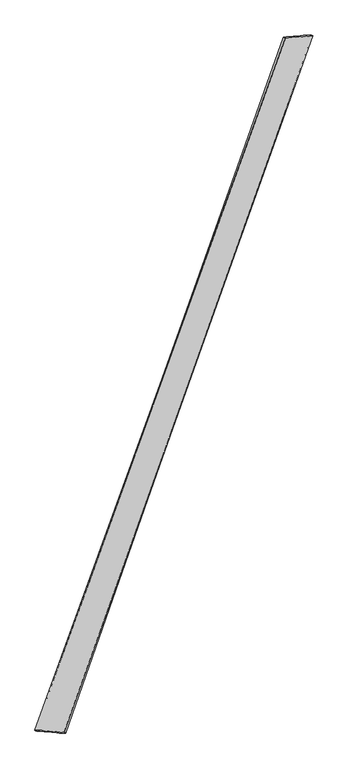
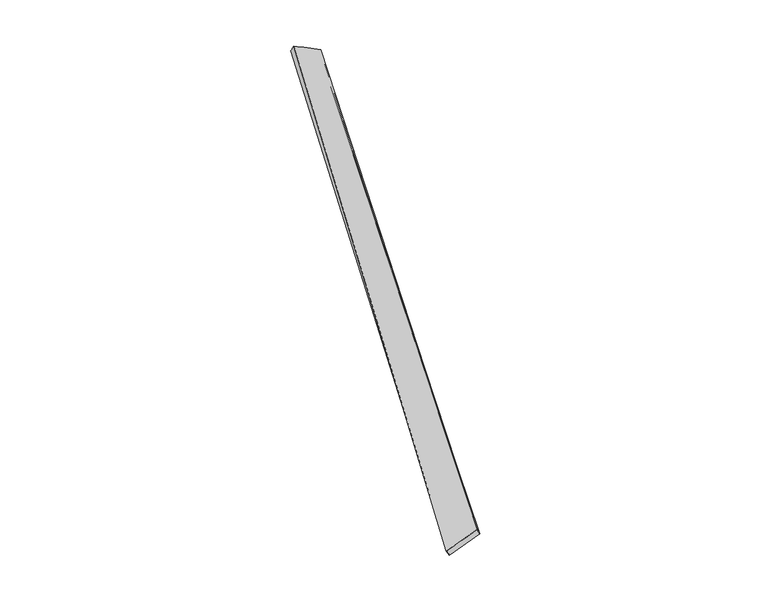
"""IFC4 building model written with IfcOpenShell, lengths in millimetres: proxy geometry."""

from ifc_helpers import new_model, si_unit, origin, place, context, project, spatial, source, transform, mapped, element, save
from ifc_brep_helpers import spline_surface, advanced_brep


def generic_models_ffe0ed36(model_context):
    return source(origin(), model_context, "Body", "AdvancedBrep", [
        advanced_brep(
        [(-721.9290822, -1828.8870083, -38.6513005), (-736.0256487, -1824.4130813, -12.550136), (723.310781, 2202.4468529, 69.2082621), (710.0382118, 2207.687881, 42.8194286), (-566.3888648, -1835.4707625, 66.2302517), (883.2451565, 2215.9881026, -17.2838951), (-555.9806754, -1839.6753274, 38.4095539), (867.8715458, 2220.8744547, -42.577682)],
        [
            (0, 1),
            (1, 2),
            (2, 3),
            (3, 0),
            (1, 4),
            (4, 5),
            (5, 2),
            (4, 6),
            (6, 7),
            (7, 5),
            (6, 0),
            (3, 7),
        ],
        [
            spline_surface(1, 1, [[(-721.9290822, -1828.8870083, -38.6513005), (710.0382118, 2207.687881, 42.8194286)], [(-736.0256487, -1824.4130813, -12.550136), (723.310781, 2202.4468529, 69.2082621)]], [2, 2], [2, 2], [0.0, 1.0], [0.0, 1.0]),
            spline_surface(1, 1, [[(-736.0256487, -1824.4130813, -12.550136), (723.310781, 2202.4468529, 69.2082621)], [(-566.3888648, -1835.4707625, 66.2302517), (883.2451565, 2215.9881026, -17.2838951)]], [2, 2], [2, 2], [0.0, 1.0], [0.0, 1.0]),
            spline_surface(1, 1, [[(-566.3888648, -1835.4707625, 66.2302517), (883.2451565, 2215.9881026, -17.2838951)], [(-555.9806754, -1839.6753274, 38.4095539), (867.8715458, 2220.8744547, -42.577682)]], [2, 2], [2, 2], [0.0, 1.0], [0.0, 1.0]),
            spline_surface(1, 1, [[(-555.9806754, -1839.6753274, 38.4095539), (867.8715458, 2220.8744547, -42.577682)], [(-721.9290822, -1828.8870083, -38.6513005), (710.0382118, 2207.687881, 42.8194286)]], [2, 2], [2, 2], [0.0, 1.0], [0.0, 1.0]),
            spline_surface(1, 1, [[(723.310781, 2202.4468529, 69.2082621), (710.0382118, 2207.687881, 42.8194286)], [(883.2451565, 2215.9881026, -17.2838951), (867.8715458, 2220.8744547, -42.577682)]], [2, 2], [2, 2], [0.0, 1.0], [0.0, 1.0]),
            spline_surface(1, 1, [[(-555.9806754, -1839.6753274, 38.4095539), (-721.9290822, -1828.8870083, -38.6513005)], [(-566.3888648, -1835.4707625, 66.2302517), (-736.0256487, -1824.4130813, -12.550136)]], [2, 2], [2, 2], [0.0, 1.0], [0.0, 1.0]),
        ],
        [
            (0, [[1, 2, 3, 4]]),
            (1, [[5, 6, 7, -2]]),
            (2, [[8, 9, 10, -6]]),
            (3, [[11, -4, 12, -9]]),
            (4, [[-3, -7, -10, -12]]),
            (5, [[-11, -8, -5, -1]]),
        ],
    ),
    ])


if __name__ == "__main__":
    model = new_model("IFC4")
    model_context = context("Model", 3, world=origin())
    ifc_project = project(units=[si_unit("LENGTHUNIT", "METRE", prefix="MILLI")], contexts=[model_context])
    site = spatial("IfcSite", under=ifc_project)
    building = spatial("IfcBuilding", under=site)
    placement = place(None, origin())
    generic_models_shape = generic_models_ffe0ed36(model_context)
    element("IfcBuildingElementProxy", 1, Name="Generic Models", at=placement, inside=building, context=model_context, shape_type="MappedRepresentation", body=[
        mapped(generic_models_shape, transform((0.0, 0.0, 0.0), x_axis=(1.0, 0.0, 0.0), y_axis=(0.0, 1.0, 0.0), z_axis=(0.0, 0.0, 1.0))),
    ])
    save(model, "model.ifc")
